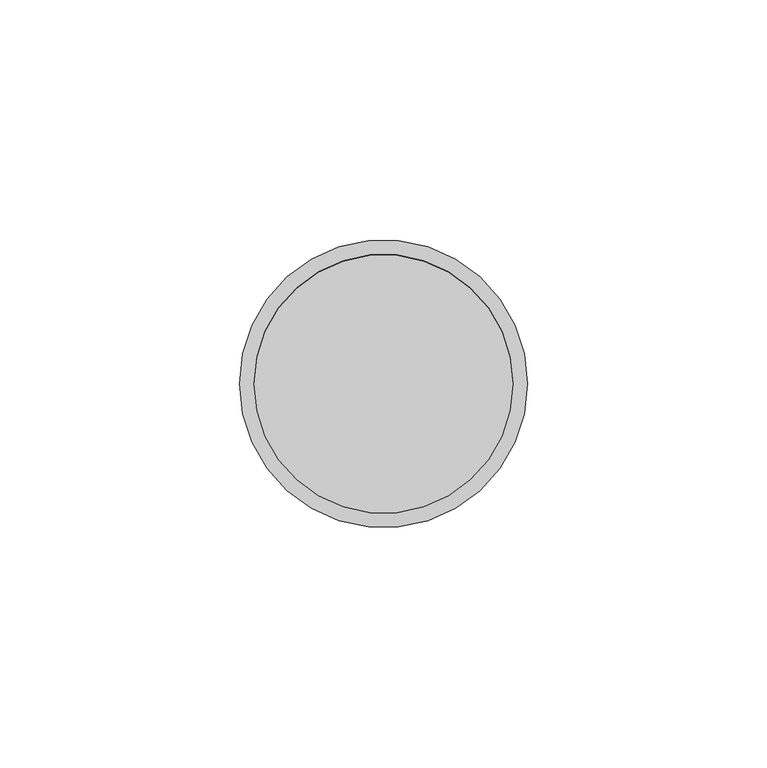
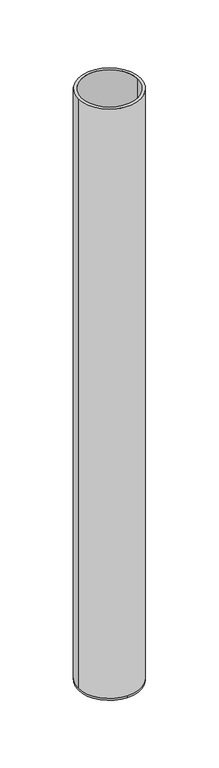
"""IFC4 building model written with IfcOpenShell, lengths in millimetres: beam geometry."""

from ifc_helpers import new_model, si_unit, frame, origin, place, context, project, spatial, polyline, circle_curve, source, transform, mapped, element, save
from ifc_brep_helpers import plane_surface, cylinder_surface, revolved_surface, advanced_brep


def beam_f65f1df9(model_context):
    return source(origin(), model_context, "Body", "AdvancedBrep", [
        advanced_brep(
        [(30.0, 0.0, 0.0), (-30.0, 0.0, 0.0), (27.0, 0.0, 0.0), (-27.0, 0.0, 0.0), (27.0, 0.0, -598.0), (-27.0, 0.0, -598.0), (30.0, 0.0, -598.0), (0.0, 30.0, -598.0), (-30.0, 0.0, -598.0), (0.0, -30.0, -598.0), (0.0, 30.0, -600.0), (0.0, -30.0, -600.0)],
        [
            (0, 1, circle_curve(frame((0.0, 0.0, 0.0), z_axis=(0.0, 0.0, 1.0), x_axis=(-1.0, 0.0, 0.0)), 30.0)),
            (1, 0, circle_curve(frame((0.0, 0.0, 0.0), z_axis=(0.0, 0.0, 1.0), x_axis=(-1.0, 0.0, 0.0)), 30.0)),
            (2, 3, circle_curve(frame((0.0, 0.0, 0.0), z_axis=(0.0, 0.0, -1.0), x_axis=(-1.0, 0.0, 0.0)), 27.0)),
            (3, 2, circle_curve(frame((0.0, 0.0, 0.0), z_axis=(0.0, 0.0, -1.0), x_axis=(-1.0, 0.0, 0.0)), 27.0)),
            (2, 4),
            (4, 5, circle_curve(frame((0.0, 0.0, -598.0), z_axis=(0.0, 0.0, -1.0), x_axis=(-1.0, 0.0, 0.0)), 27.0)),
            (5, 3),
            (5, 4, circle_curve(frame((0.0, 0.0, -598.0), z_axis=(0.0, 0.0, -1.0), x_axis=(-1.0, 0.0, 0.0)), 27.0)),
            (0, 6),
            (6, 7, circle_curve(frame((0.0, 0.0, -598.0), z_axis=(0.0, 0.0, 1.0), x_axis=(-1.0, 0.0, 0.0)), 30.0)),
            (7, 8, circle_curve(frame((0.0, 0.0, -598.0), z_axis=(0.0, 0.0, 1.0), x_axis=(-1.0, 0.0, 0.0)), 30.0)),
            (8, 1),
            (8, 9, circle_curve(frame((0.0, 0.0, -598.0), z_axis=(0.0, 0.0, 1.0), x_axis=(-1.0, 0.0, 0.0)), 30.0)),
            (9, 6, circle_curve(frame((0.0, 0.0, -598.0), z_axis=(0.0, 0.0, 1.0), x_axis=(-1.0, 0.0, 0.0)), 30.0)),
            (10, 11, circle_curve(frame((0.0, 0.0, -600.0), z_axis=(0.0, 0.0, -1.0), x_axis=(0.0, -1.0, 0.0)), 30.0)),
            (11, 10, circle_curve(frame((0.0, 0.0, -600.0), z_axis=(0.0, 0.0, -1.0), x_axis=(0.0, -1.0, 0.0)), 30.0)),
            (11, 9),
            (7, 10),
        ],
        [
            plane_surface(frame((0.0, 0.0, 0.0), z_axis=(0.0, 0.0, 1.0), x_axis=(0.0, -1.0, 0.0))),
            revolved_surface(polyline([(-27.0, 0.0, 0.0), (-27.0, 0.0, -598.0)]), (0.0, 0.0, -598.0), (0.0, 0.0, 1.0)),
            cylinder_surface(frame((0.0, 0.0, -598.0), z_axis=(0.0, 0.0, -1.0), x_axis=(-1.0, 0.0, 0.0)), 30.0),
            plane_surface(frame((0.0, 0.0, -598.0), z_axis=(0.0, 0.0, 1.0), x_axis=(0.0, -1.0, 0.0))),
            plane_surface(frame((0.0, 0.0, -600.0), z_axis=(0.0, 0.0, -1.0), x_axis=(0.0, -1.0, 0.0))),
            cylinder_surface(frame((0.0, 0.0, -598.0), z_axis=(0.0, 0.0, 1.0), x_axis=(0.0, -1.0, 0.0)), 30.0),
        ],
        [
            (0, [[1, 2], [3, 4]]),
            (1, [[-3, 5, 6, 7]]),
            (1, [[-4, -7, 8, -5]]),
            (2, [[-1, 9, 10, 11, 12]]),
            (2, [[-2, -12, 13, 14, -9]]),
            (3, [[-6, -8]]),
            (4, [[15, 16]]),
            (5, [[-16, 17, -13, -11, 18]]),
            (5, [[-15, -18, -10, -14, -17]]),
        ],
    ),
    ])


if __name__ == "__main__":
    model = new_model("IFC4")
    model_context = context("Model", 3, world=origin())
    ifc_project = project(units=[si_unit("LENGTHUNIT", "METRE", prefix="MILLI")], contexts=[model_context])
    site = spatial("IfcSite", under=ifc_project)
    building = spatial("IfcBuilding", under=site)
    placement = place(None, origin())
    beam_shape = beam_f65f1df9(model_context)
    element("IfcBeam", 1, at=placement, inside=building, context=model_context, shape_type="MappedRepresentation", body=[
        mapped(beam_shape, transform((0.0, 0.0, 0.0), x_axis=(1.0, 0.0, 0.0), y_axis=(0.0, 1.0, 0.0), z_axis=(0.0, 0.0, 1.0))),
    ])
    save(model, "model.ifc")
